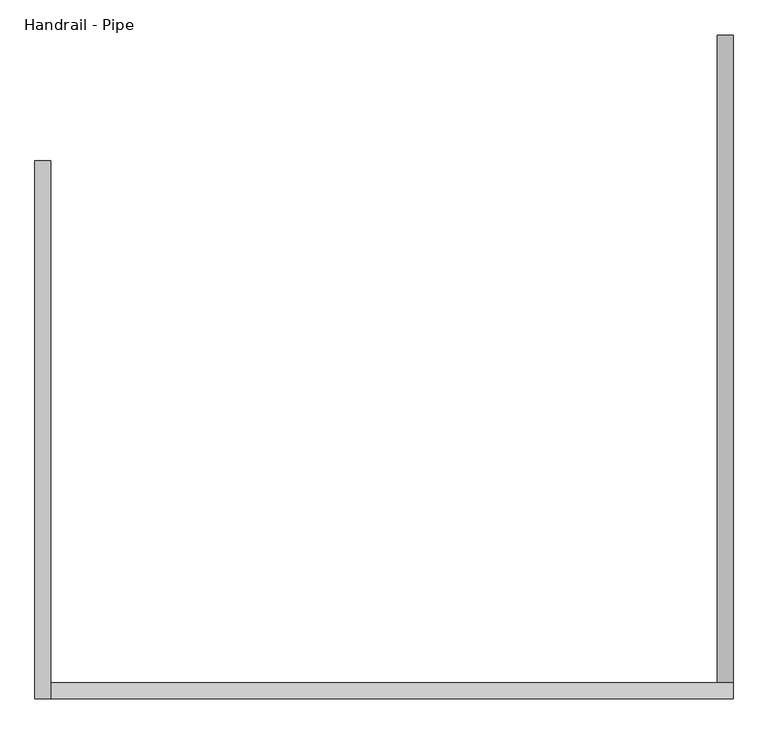
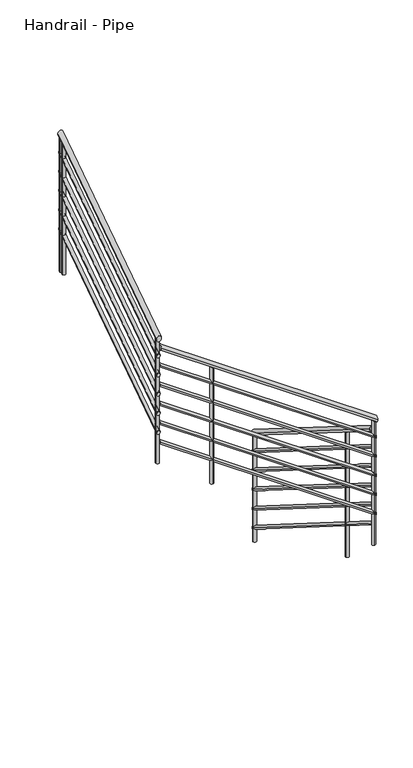
"""IFC4 building model written with IfcOpenShell, lengths in millimetres: railing geometry, Handrail - Pipe."""

from ifc_helpers import new_model, si_unit, frame, origin, place, context, project, spatial, circle_curve, ellipse_curve, source, transform, mapped, element, save
from ifc_brep_helpers import plane_surface, cylinder_surface, advanced_brep


def handrail_pipe_4062bd8a(model_context):
    return source(origin(), model_context, "Body", "AdvancedBrep", [
        advanced_brep(
        [(14139.9963288, -279.9447691, 1008.1620041), (14101.8963288, -279.9447691, 1008.1620041), (14139.9963288, -1824.292103, 1978.7241486), (14101.8963288, -1824.292103, 1978.7241486)],
        [
            (0, 1, ellipse_curve(frame((14120.9463288, -279.9447691, 1008.1620041), z_axis=(0.0, 1.0, 0.0), x_axis=(0.0, 0.0, -1.0)), 22.4996814, 19.05)),
            (1, 0, ellipse_curve(frame((14120.9463288, -279.9447691, 1008.1620041), z_axis=(0.0, 1.0, 0.0), x_axis=(0.0, 0.0, -1.0)), 22.4996814, 19.05)),
            (2, 3, ellipse_curve(frame((14120.9463288, -1824.292103, 1978.7241486), z_axis=(0.0, -1.0, 0.0), x_axis=(0.0, 0.0, -1.0)), 22.4996814, 19.05)),
            (3, 2, ellipse_curve(frame((14120.9463288, -1824.292103, 1978.7241486), z_axis=(0.0, -1.0, 0.0), x_axis=(0.0, 0.0, -1.0)), 22.4996814, 19.05)),
            (0, 2),
            (3, 1),
        ],
        [
            plane_surface(frame((14120.9463288, -279.9447691, 1030.6616855), z_axis=(0.0, 1.0, 0.0), x_axis=(0.0, 0.0, -1.0))),
            plane_surface(frame((14120.9463288, -1824.292103, 2001.22383), z_axis=(0.0, -1.0, 0.0), x_axis=(0.0, 0.0, -1.0))),
            cylinder_surface(frame((14120.9463288, -290.0813608, 1014.5324571), z_axis=(0.0, 0.8466786539754051, -0.5321045544837933), x_axis=(-1.0, 0.0, 0.0)), 19.05),
        ],
        [
            (0, [[1, 2]]),
            (1, [[3, 4]]),
            (2, [[-1, 5, -4, 6]]),
            (2, [[-2, -6, -3, -5]]),
        ],
    ),
        advanced_brep(
        [(14139.9963288, -1862.392103, 2061.4093916), (14139.9963288, -1824.292103, 2061.4093916), (12513.2016609, -1862.392103, 3199.4403575), (12513.2016609, -1824.292103, 3199.4403575)],
        [
            (0, 1, ellipse_curve(frame((14139.9963288, -1843.342103, 2061.4093916), z_axis=(1.0, 0.0, 0.0), x_axis=(0.0, 0.0, -1.0)), 23.2486189, 19.05)),
            (1, 0, ellipse_curve(frame((14139.9963288, -1843.342103, 2061.4093916), z_axis=(1.0, 0.0, 0.0), x_axis=(0.0, 0.0, -1.0)), 23.2486189, 19.05)),
            (2, 3, ellipse_curve(frame((12513.2016609, -1843.342103, 3199.4403575), z_axis=(-1.0, 0.0, 0.0), x_axis=(0.0, 0.0, -1.0)), 23.2486189, 19.05)),
            (3, 2, ellipse_curve(frame((12513.2016609, -1843.342103, 3199.4403575), z_axis=(-1.0, 0.0, 0.0), x_axis=(0.0, 0.0, -1.0)), 23.2486189, 19.05)),
            (0, 2),
            (3, 1),
        ],
        [
            plane_surface(frame((14139.9963288, -1843.342103, 2084.6580104), z_axis=(1.0, 0.0, 0.0), x_axis=(0.0, -1.0, 0.0))),
            plane_surface(frame((12513.2016609, -1843.342103, 3222.6889763), z_axis=(-1.0, 0.0, 0.0), x_axis=(0.0, -1.0, 0.0))),
            cylinder_surface(frame((14129.0765424, -1843.342103, 2069.0483735), z_axis=(0.8194035147439506, 0.0, -0.5732171316571586), x_axis=(0.0, 1.0, 0.0)), 19.05),
        ],
        [
            (0, [[1, 2]]),
            (1, [[3, 4]]),
            (2, [[-1, 5, -4, 6]]),
            (2, [[-2, -6, -3, -5]]),
        ],
    ),
        advanced_brep(
        [(12475.1016609, -1862.392103, 3283.1509827), (12513.2016609, -1862.392103, 3283.1509827), (12475.1016609, -579.9447691, 4139.9095503), (12513.2016609, -579.9447691, 4139.9095503)],
        [
            (0, 1, ellipse_curve(frame((12494.1516609, -1862.392103, 3283.1509827), z_axis=(0.0, -1.0, 0.0), x_axis=(0.0, 0.0, -1.0)), 22.9100408, 19.05)),
            (1, 0, ellipse_curve(frame((12494.1516609, -1862.392103, 3283.1509827), z_axis=(0.0, -1.0, 0.0), x_axis=(0.0, 0.0, -1.0)), 22.9100408, 19.05)),
            (2, 3, ellipse_curve(frame((12494.1516609, -579.9447691, 4139.9095503), z_axis=(0.0, 1.0, 0.0), x_axis=(0.0, 0.0, -1.0)), 22.9100408, 19.05)),
            (3, 2, ellipse_curve(frame((12494.1516609, -579.9447691, 4139.9095503), z_axis=(0.0, 1.0, 0.0), x_axis=(0.0, 0.0, -1.0)), 22.9100408, 19.05)),
            (0, 2),
            (3, 1),
        ],
        [
            plane_surface(frame((12494.1516609, -1862.392103, 3306.0610235), z_axis=(0.0, -1.0, 0.0), x_axis=(0.0, 0.0, 1.0))),
            plane_surface(frame((12494.1516609, -579.9447691, 4162.8195911), z_axis=(0.0, 1.0, 0.0), x_axis=(0.0, 0.0, 1.0))),
            cylinder_surface(frame((12494.1516609, -1851.8097312, 3290.2206981), z_axis=(0.0, -0.8315131424522817, -0.5555050800209946), x_axis=(1.0, 0.0, 0.0)), 19.05),
        ],
        [
            (0, [[1, 2]]),
            (1, [[3, 4]]),
            (2, [[-1, 5, -4, 6]]),
            (2, [[-2, -6, -3, -5]]),
        ],
    ),
        advanced_brep(
        [(14133.6463288, -279.9447691, 863.2618979), (14108.2463288, -279.9447691, 863.2618979), (14133.6463288, -1830.642103, 1837.81477), (14108.2463288, -1830.642103, 1837.81477)],
        [
            (0, 1, ellipse_curve(frame((14120.9463288, -279.9447691, 863.2618979), z_axis=(0.0, 1.0, 0.0), x_axis=(0.0, 0.0, -1.0)), 14.9997876, 12.7)),
            (1, 0, ellipse_curve(frame((14120.9463288, -279.9447691, 863.2618979), z_axis=(0.0, 1.0, 0.0), x_axis=(0.0, 0.0, -1.0)), 14.9997876, 12.7)),
            (2, 3, ellipse_curve(frame((14120.9463288, -1830.642103, 1837.81477), z_axis=(0.0, -1.0, 0.0), x_axis=(0.0, 0.0, -1.0)), 14.9997876, 12.7)),
            (3, 2, ellipse_curve(frame((14120.9463288, -1830.642103, 1837.81477), z_axis=(0.0, -1.0, 0.0), x_axis=(0.0, 0.0, -1.0)), 14.9997876, 12.7)),
            (0, 2),
            (3, 1),
        ],
        [
            plane_surface(frame((14120.9463288, -279.9447691, 878.2616855), z_axis=(0.0, 1.0, 0.0), x_axis=(0.0, 0.0, -1.0))),
            plane_surface(frame((14120.9463288, -1830.642103, 1852.8145577), z_axis=(0.0, -1.0, 0.0), x_axis=(0.0, 0.0, -1.0))),
            cylinder_surface(frame((14120.9463288, -286.7024969, 867.5088666), z_axis=(0.0, 0.8466786539754051, -0.5321045544837933), x_axis=(-1.0, 0.0, 0.0)), 12.7),
        ],
        [
            (0, [[1, 2]]),
            (1, [[3, 4]]),
            (2, [[-1, 5, -4, 6]]),
            (2, [[-2, -6, -3, -5]]),
        ],
    ),
        advanced_brep(
        [(14133.6463288, -1856.042103, 1921.2011001), (14133.6463288, -1830.642103, 1921.2011001), (12506.8516609, -1856.042103, 3059.232066), (12506.8516609, -1830.642103, 3059.232066)],
        [
            (0, 1, ellipse_curve(frame((14133.6463288, -1843.342103, 1921.2011001), z_axis=(1.0, 0.0, 0.0), x_axis=(0.0, 0.0, -1.0)), 15.4990792, 12.7)),
            (1, 0, ellipse_curve(frame((14133.6463288, -1843.342103, 1921.2011001), z_axis=(1.0, 0.0, 0.0), x_axis=(0.0, 0.0, -1.0)), 15.4990792, 12.7)),
            (2, 3, ellipse_curve(frame((12506.8516609, -1843.342103, 3059.232066), z_axis=(-1.0, 0.0, 0.0), x_axis=(0.0, 0.0, -1.0)), 15.4990792, 12.7)),
            (3, 2, ellipse_curve(frame((12506.8516609, -1843.342103, 3059.232066), z_axis=(-1.0, 0.0, 0.0), x_axis=(0.0, 0.0, -1.0)), 15.4990792, 12.7)),
            (0, 2),
            (3, 1),
        ],
        [
            plane_surface(frame((14133.6463288, -1843.342103, 1936.7001793), z_axis=(1.0, 0.0, 0.0), x_axis=(0.0, -1.0, 0.0))),
            plane_surface(frame((12506.8516609, -1843.342103, 3074.7311452), z_axis=(-1.0, 0.0, 0.0), x_axis=(0.0, -1.0, 0.0))),
            cylinder_surface(frame((14126.3664712, -1843.342103, 1926.2937547), z_axis=(0.8194035147439506, 0.0, -0.5732171316571586), x_axis=(0.0, 1.0, 0.0)), 12.7),
        ],
        [
            (0, [[1, 2]]),
            (1, [[3, 4]]),
            (2, [[-1, 5, -4, 6]]),
            (2, [[-2, -6, -3, -5]]),
        ],
    ),
        advanced_brep(
        [(12481.4516609, -1856.042103, 3142.6298777), (12506.8516609, -1856.042103, 3142.6298777), (12481.4516609, -579.9447691, 3995.1462306), (12506.8516609, -579.9447691, 3995.1462306)],
        [
            (0, 1, ellipse_curve(frame((12494.1516609, -1856.042103, 3142.6298777), z_axis=(0.0, -1.0, 0.0), x_axis=(0.0, 0.0, -1.0)), 15.2733605, 12.7)),
            (1, 0, ellipse_curve(frame((12494.1516609, -1856.042103, 3142.6298777), z_axis=(0.0, -1.0, 0.0), x_axis=(0.0, 0.0, -1.0)), 15.2733605, 12.7)),
            (2, 3, ellipse_curve(frame((12494.1516609, -579.9447691, 3995.1462306), z_axis=(0.0, 1.0, 0.0), x_axis=(0.0, 0.0, -1.0)), 15.2733605, 12.7)),
            (3, 2, ellipse_curve(frame((12494.1516609, -579.9447691, 3995.1462306), z_axis=(0.0, 1.0, 0.0), x_axis=(0.0, 0.0, -1.0)), 15.2733605, 12.7)),
            (0, 2),
            (3, 1),
        ],
        [
            plane_surface(frame((12494.1516609, -1856.042103, 3157.9032382), z_axis=(0.0, -1.0, 0.0), x_axis=(0.0, 0.0, 1.0))),
            plane_surface(frame((12494.1516609, -579.9447691, 4010.4195911), z_axis=(0.0, 1.0, 0.0), x_axis=(0.0, 0.0, 1.0))),
            cylinder_surface(frame((12494.1516609, -1848.9871885, 3147.3430213), z_axis=(0.0, -0.8315131424522817, -0.5555050800209946), x_axis=(1.0, 0.0, 0.0)), 12.7),
        ],
        [
            (0, [[1, 2]]),
            (1, [[3, 4]]),
            (2, [[-1, 5, -4, 6]]),
            (2, [[-2, -6, -3, -5]]),
        ],
    ),
        advanced_brep(
        [(14133.6463288, -279.9447691, 710.8618979), (14108.2463288, -279.9447691, 710.8618979), (14133.6463288, -1830.642103, 1685.41477), (14108.2463288, -1830.642103, 1685.41477)],
        [
            (0, 1, ellipse_curve(frame((14120.9463288, -279.9447691, 710.8618979), z_axis=(0.0, 1.0, 0.0), x_axis=(0.0, 0.0, -1.0)), 14.9997876, 12.7)),
            (1, 0, ellipse_curve(frame((14120.9463288, -279.9447691, 710.8618979), z_axis=(0.0, 1.0, 0.0), x_axis=(0.0, 0.0, -1.0)), 14.9997876, 12.7)),
            (2, 3, ellipse_curve(frame((14120.9463288, -1830.642103, 1685.41477), z_axis=(0.0, -1.0, 0.0), x_axis=(0.0, 0.0, -1.0)), 14.9997876, 12.7)),
            (3, 2, ellipse_curve(frame((14120.9463288, -1830.642103, 1685.41477), z_axis=(0.0, -1.0, 0.0), x_axis=(0.0, 0.0, -1.0)), 14.9997876, 12.7)),
            (0, 2),
            (3, 1),
        ],
        [
            plane_surface(frame((14120.9463288, -279.9447691, 725.8616855), z_axis=(0.0, 1.0, 0.0), x_axis=(0.0, 0.0, -1.0))),
            plane_surface(frame((14120.9463288, -1830.642103, 1700.4145577), z_axis=(0.0, -1.0, 0.0), x_axis=(0.0, 0.0, -1.0))),
            cylinder_surface(frame((14120.9463288, -286.7024969, 715.1088666), z_axis=(0.0, 0.8466786539754051, -0.5321045544837933), x_axis=(-1.0, 0.0, 0.0)), 12.7),
        ],
        [
            (0, [[1, 2]]),
            (1, [[3, 4]]),
            (2, [[-1, 5, -4, 6]]),
            (2, [[-2, -6, -3, -5]]),
        ],
    ),
        advanced_brep(
        [(14133.6463288, -1856.042103, 1768.8011001), (14133.6463288, -1830.642103, 1768.8011001), (12506.8516609, -1856.042103, 2906.832066), (12506.8516609, -1830.642103, 2906.832066)],
        [
            (0, 1, ellipse_curve(frame((14133.6463288, -1843.342103, 1768.8011001), z_axis=(1.0, 0.0, 0.0), x_axis=(0.0, 0.0, -1.0)), 15.4990792, 12.7)),
            (1, 0, ellipse_curve(frame((14133.6463288, -1843.342103, 1768.8011001), z_axis=(1.0, 0.0, 0.0), x_axis=(0.0, 0.0, -1.0)), 15.4990792, 12.7)),
            (2, 3, ellipse_curve(frame((12506.8516609, -1843.342103, 2906.832066), z_axis=(-1.0, 0.0, 0.0), x_axis=(0.0, 0.0, -1.0)), 15.4990792, 12.7)),
            (3, 2, ellipse_curve(frame((12506.8516609, -1843.342103, 2906.832066), z_axis=(-1.0, 0.0, 0.0), x_axis=(0.0, 0.0, -1.0)), 15.4990792, 12.7)),
            (0, 2),
            (3, 1),
        ],
        [
            plane_surface(frame((14133.6463288, -1843.342103, 1784.3001793), z_axis=(1.0, 0.0, 0.0), x_axis=(0.0, -1.0, 0.0))),
            plane_surface(frame((12506.8516609, -1843.342103, 2922.3311452), z_axis=(-1.0, 0.0, 0.0), x_axis=(0.0, -1.0, 0.0))),
            cylinder_surface(frame((14126.3664712, -1843.342103, 1773.8937547), z_axis=(0.8194035147439506, 0.0, -0.5732171316571586), x_axis=(0.0, 1.0, 0.0)), 12.7),
        ],
        [
            (0, [[1, 2]]),
            (1, [[3, 4]]),
            (2, [[-1, 5, -4, 6]]),
            (2, [[-2, -6, -3, -5]]),
        ],
    ),
        advanced_brep(
        [(12481.4516609, -1856.042103, 2990.2298777), (12506.8516609, -1856.042103, 2990.2298777), (12481.4516609, -579.9447691, 3842.7462306), (12506.8516609, -579.9447691, 3842.7462306)],
        [
            (0, 1, ellipse_curve(frame((12494.1516609, -1856.042103, 2990.2298777), z_axis=(0.0, -1.0, 0.0), x_axis=(0.0, 0.0, -1.0)), 15.2733605, 12.7)),
            (1, 0, ellipse_curve(frame((12494.1516609, -1856.042103, 2990.2298777), z_axis=(0.0, -1.0, 0.0), x_axis=(0.0, 0.0, -1.0)), 15.2733605, 12.7)),
            (2, 3, ellipse_curve(frame((12494.1516609, -579.9447691, 3842.7462306), z_axis=(0.0, 1.0, 0.0), x_axis=(0.0, 0.0, -1.0)), 15.2733605, 12.7)),
            (3, 2, ellipse_curve(frame((12494.1516609, -579.9447691, 3842.7462306), z_axis=(0.0, 1.0, 0.0), x_axis=(0.0, 0.0, -1.0)), 15.2733605, 12.7)),
            (0, 2),
            (3, 1),
        ],
        [
            plane_surface(frame((12494.1516609, -1856.042103, 3005.5032382), z_axis=(0.0, -1.0, 0.0), x_axis=(0.0, 0.0, 1.0))),
            plane_surface(frame((12494.1516609, -579.9447691, 3858.0195911), z_axis=(0.0, 1.0, 0.0), x_axis=(0.0, 0.0, 1.0))),
            cylinder_surface(frame((12494.1516609, -1848.9871885, 2994.9430213), z_axis=(0.0, -0.8315131424522817, -0.5555050800209946), x_axis=(1.0, 0.0, 0.0)), 12.7),
        ],
        [
            (0, [[1, 2]]),
            (1, [[3, 4]]),
            (2, [[-1, 5, -4, 6]]),
            (2, [[-2, -6, -3, -5]]),
        ],
    ),
        advanced_brep(
        [(14133.6463288, -279.9447691, 558.4618979), (14108.2463288, -279.9447691, 558.4618979), (14133.6463288, -1830.642103, 1533.01477), (14108.2463288, -1830.642103, 1533.01477)],
        [
            (0, 1, ellipse_curve(frame((14120.9463288, -279.9447691, 558.4618979), z_axis=(0.0, 1.0, 0.0), x_axis=(0.0, 0.0, -1.0)), 14.9997876, 12.7)),
            (1, 0, ellipse_curve(frame((14120.9463288, -279.9447691, 558.4618979), z_axis=(0.0, 1.0, 0.0), x_axis=(0.0, 0.0, -1.0)), 14.9997876, 12.7)),
            (2, 3, ellipse_curve(frame((14120.9463288, -1830.642103, 1533.01477), z_axis=(0.0, -1.0, 0.0), x_axis=(0.0, 0.0, -1.0)), 14.9997876, 12.7)),
            (3, 2, ellipse_curve(frame((14120.9463288, -1830.642103, 1533.01477), z_axis=(0.0, -1.0, 0.0), x_axis=(0.0, 0.0, -1.0)), 14.9997876, 12.7)),
            (0, 2),
            (3, 1),
        ],
        [
            plane_surface(frame((14120.9463288, -279.9447691, 573.4616855), z_axis=(0.0, 1.0, 0.0), x_axis=(0.0, 0.0, -1.0))),
            plane_surface(frame((14120.9463288, -1830.642103, 1548.0145577), z_axis=(0.0, -1.0, 0.0), x_axis=(0.0, 0.0, -1.0))),
            cylinder_surface(frame((14120.9463288, -286.7024969, 562.7088666), z_axis=(0.0, 0.8466786539754051, -0.5321045544837933), x_axis=(-1.0, 0.0, 0.0)), 12.7),
        ],
        [
            (0, [[1, 2]]),
            (1, [[3, 4]]),
            (2, [[-1, 5, -4, 6]]),
            (2, [[-2, -6, -3, -5]]),
        ],
    ),
        advanced_brep(
        [(14133.6463288, -1856.042103, 1616.4011001), (14133.6463288, -1830.642103, 1616.4011001), (12506.8516609, -1856.042103, 2754.432066), (12506.8516609, -1830.642103, 2754.432066)],
        [
            (0, 1, ellipse_curve(frame((14133.6463288, -1843.342103, 1616.4011001), z_axis=(1.0, 0.0, 0.0), x_axis=(0.0, 0.0, -1.0)), 15.4990792, 12.7)),
            (1, 0, ellipse_curve(frame((14133.6463288, -1843.342103, 1616.4011001), z_axis=(1.0, 0.0, 0.0), x_axis=(0.0, 0.0, -1.0)), 15.4990792, 12.7)),
            (2, 3, ellipse_curve(frame((12506.8516609, -1843.342103, 2754.432066), z_axis=(-1.0, 0.0, 0.0), x_axis=(0.0, 0.0, -1.0)), 15.4990792, 12.7)),
            (3, 2, ellipse_curve(frame((12506.8516609, -1843.342103, 2754.432066), z_axis=(-1.0, 0.0, 0.0), x_axis=(0.0, 0.0, -1.0)), 15.4990792, 12.7)),
            (0, 2),
            (3, 1),
        ],
        [
            plane_surface(frame((14133.6463288, -1843.342103, 1631.9001793), z_axis=(1.0, 0.0, 0.0), x_axis=(0.0, -1.0, 0.0))),
            plane_surface(frame((12506.8516609, -1843.342103, 2769.9311452), z_axis=(-1.0, 0.0, 0.0), x_axis=(0.0, -1.0, 0.0))),
            cylinder_surface(frame((14126.3664712, -1843.342103, 1621.4937547), z_axis=(0.8194035147439506, 0.0, -0.5732171316571586), x_axis=(0.0, 1.0, 0.0)), 12.7),
        ],
        [
            (0, [[1, 2]]),
            (1, [[3, 4]]),
            (2, [[-1, 5, -4, 6]]),
            (2, [[-2, -6, -3, -5]]),
        ],
    ),
        advanced_brep(
        [(12481.4516609, -1856.042103, 2837.8298777), (12506.8516609, -1856.042103, 2837.8298777), (12481.4516609, -579.9447691, 3690.3462306), (12506.8516609, -579.9447691, 3690.3462306)],
        [
            (0, 1, ellipse_curve(frame((12494.1516609, -1856.042103, 2837.8298777), z_axis=(0.0, -1.0, 0.0), x_axis=(0.0, 0.0, -1.0)), 15.2733605, 12.7)),
            (1, 0, ellipse_curve(frame((12494.1516609, -1856.042103, 2837.8298777), z_axis=(0.0, -1.0, 0.0), x_axis=(0.0, 0.0, -1.0)), 15.2733605, 12.7)),
            (2, 3, ellipse_curve(frame((12494.1516609, -579.9447691, 3690.3462306), z_axis=(0.0, 1.0, 0.0), x_axis=(0.0, 0.0, -1.0)), 15.2733605, 12.7)),
            (3, 2, ellipse_curve(frame((12494.1516609, -579.9447691, 3690.3462306), z_axis=(0.0, 1.0, 0.0), x_axis=(0.0, 0.0, -1.0)), 15.2733605, 12.7)),
            (0, 2),
            (3, 1),
        ],
        [
            plane_surface(frame((12494.1516609, -1856.042103, 2853.1032382), z_axis=(0.0, -1.0, 0.0), x_axis=(0.0, 0.0, 1.0))),
            plane_surface(frame((12494.1516609, -579.9447691, 3705.6195911), z_axis=(0.0, 1.0, 0.0), x_axis=(0.0, 0.0, 1.0))),
            cylinder_surface(frame((12494.1516609, -1848.9871885, 2842.5430213), z_axis=(0.0, -0.8315131424522817, -0.5555050800209946), x_axis=(1.0, 0.0, 0.0)), 12.7),
        ],
        [
            (0, [[1, 2]]),
            (1, [[3, 4]]),
            (2, [[-1, 5, -4, 6]]),
            (2, [[-2, -6, -3, -5]]),
        ],
    ),
        advanced_brep(
        [(14133.6463288, -279.9447691, 406.0618979), (14108.2463288, -279.9447691, 406.0618979), (14133.6463288, -1830.642103, 1380.61477), (14108.2463288, -1830.642103, 1380.61477)],
        [
            (0, 1, ellipse_curve(frame((14120.9463288, -279.9447691, 406.0618979), z_axis=(0.0, 1.0, 0.0), x_axis=(0.0, 0.0, -1.0)), 14.9997876, 12.7)),
            (1, 0, ellipse_curve(frame((14120.9463288, -279.9447691, 406.0618979), z_axis=(0.0, 1.0, 0.0), x_axis=(0.0, 0.0, -1.0)), 14.9997876, 12.7)),
            (2, 3, ellipse_curve(frame((14120.9463288, -1830.642103, 1380.61477), z_axis=(0.0, -1.0, 0.0), x_axis=(0.0, 0.0, -1.0)), 14.9997876, 12.7)),
            (3, 2, ellipse_curve(frame((14120.9463288, -1830.642103, 1380.61477), z_axis=(0.0, -1.0, 0.0), x_axis=(0.0, 0.0, -1.0)), 14.9997876, 12.7)),
            (0, 2),
            (3, 1),
        ],
        [
            plane_surface(frame((14120.9463288, -279.9447691, 421.0616855), z_axis=(0.0, 1.0, 0.0), x_axis=(0.0, 0.0, -1.0))),
            plane_surface(frame((14120.9463288, -1830.642103, 1395.6145577), z_axis=(0.0, -1.0, 0.0), x_axis=(0.0, 0.0, -1.0))),
            cylinder_surface(frame((14120.9463288, -286.7024969, 410.3088666), z_axis=(0.0, 0.8466786539754051, -0.5321045544837933), x_axis=(-1.0, 0.0, 0.0)), 12.7),
        ],
        [
            (0, [[1, 2]]),
            (1, [[3, 4]]),
            (2, [[-1, 5, -4, 6]]),
            (2, [[-2, -6, -3, -5]]),
        ],
    ),
        advanced_brep(
        [(14133.6463288, -1856.042103, 1464.0011001), (14133.6463288, -1830.642103, 1464.0011001), (12506.8516609, -1856.042103, 2602.032066), (12506.8516609, -1830.642103, 2602.032066)],
        [
            (0, 1, ellipse_curve(frame((14133.6463288, -1843.342103, 1464.0011001), z_axis=(1.0, 0.0, 0.0), x_axis=(0.0, 0.0, -1.0)), 15.4990792, 12.7)),
            (1, 0, ellipse_curve(frame((14133.6463288, -1843.342103, 1464.0011001), z_axis=(1.0, 0.0, 0.0), x_axis=(0.0, 0.0, -1.0)), 15.4990792, 12.7)),
            (2, 3, ellipse_curve(frame((12506.8516609, -1843.342103, 2602.032066), z_axis=(-1.0, 0.0, 0.0), x_axis=(0.0, 0.0, -1.0)), 15.4990792, 12.7)),
            (3, 2, ellipse_curve(frame((12506.8516609, -1843.342103, 2602.032066), z_axis=(-1.0, 0.0, 0.0), x_axis=(0.0, 0.0, -1.0)), 15.4990792, 12.7)),
            (0, 2),
            (3, 1),
        ],
        [
            plane_surface(frame((14133.6463288, -1843.342103, 1479.5001793), z_axis=(1.0, 0.0, 0.0), x_axis=(0.0, -1.0, 0.0))),
            plane_surface(frame((12506.8516609, -1843.342103, 2617.5311452), z_axis=(-1.0, 0.0, 0.0), x_axis=(0.0, -1.0, 0.0))),
            cylinder_surface(frame((14126.3664712, -1843.342103, 1469.0937547), z_axis=(0.8194035147439506, 0.0, -0.5732171316571586), x_axis=(0.0, 1.0, 0.0)), 12.7),
        ],
        [
            (0, [[1, 2]]),
            (1, [[3, 4]]),
            (2, [[-1, 5, -4, 6]]),
            (2, [[-2, -6, -3, -5]]),
        ],
    ),
        advanced_brep(
        [(12481.4516609, -1856.042103, 2685.4298777), (12506.8516609, -1856.042103, 2685.4298777), (12481.4516609, -579.9447691, 3537.9462306), (12506.8516609, -579.9447691, 3537.9462306)],
        [
            (0, 1, ellipse_curve(frame((12494.1516609, -1856.042103, 2685.4298777), z_axis=(0.0, -1.0, 0.0), x_axis=(0.0, 0.0, -1.0)), 15.2733605, 12.7)),
            (1, 0, ellipse_curve(frame((12494.1516609, -1856.042103, 2685.4298777), z_axis=(0.0, -1.0, 0.0), x_axis=(0.0, 0.0, -1.0)), 15.2733605, 12.7)),
            (2, 3, ellipse_curve(frame((12494.1516609, -579.9447691, 3537.9462306), z_axis=(0.0, 1.0, 0.0), x_axis=(0.0, 0.0, -1.0)), 15.2733605, 12.7)),
            (3, 2, ellipse_curve(frame((12494.1516609, -579.9447691, 3537.9462306), z_axis=(0.0, 1.0, 0.0), x_axis=(0.0, 0.0, -1.0)), 15.2733605, 12.7)),
            (0, 2),
            (3, 1),
        ],
        [
            plane_surface(frame((12494.1516609, -1856.042103, 2700.7032382), z_axis=(0.0, -1.0, 0.0), x_axis=(0.0, 0.0, 1.0))),
            plane_surface(frame((12494.1516609, -579.9447691, 3553.2195911), z_axis=(0.0, 1.0, 0.0), x_axis=(0.0, 0.0, 1.0))),
            cylinder_surface(frame((12494.1516609, -1848.9871885, 2690.1430213), z_axis=(0.0, -0.8315131424522817, -0.5555050800209946), x_axis=(1.0, 0.0, 0.0)), 12.7),
        ],
        [
            (0, [[1, 2]]),
            (1, [[3, 4]]),
            (2, [[-1, 5, -4, 6]]),
            (2, [[-2, -6, -3, -5]]),
        ],
    ),
        advanced_brep(
        [(14133.6463288, -279.9447691, 253.6618979), (14108.2463288, -279.9447691, 253.6618979), (14133.6463288, -1830.642103, 1228.21477), (14108.2463288, -1830.642103, 1228.21477)],
        [
            (0, 1, ellipse_curve(frame((14120.9463288, -279.9447691, 253.6618979), z_axis=(0.0, 1.0, 0.0), x_axis=(0.0, 0.0, -1.0)), 14.9997876, 12.7)),
            (1, 0, ellipse_curve(frame((14120.9463288, -279.9447691, 253.6618979), z_axis=(0.0, 1.0, 0.0), x_axis=(0.0, 0.0, -1.0)), 14.9997876, 12.7)),
            (2, 3, ellipse_curve(frame((14120.9463288, -1830.642103, 1228.21477), z_axis=(0.0, -1.0, 0.0), x_axis=(0.0, 0.0, -1.0)), 14.9997876, 12.7)),
            (3, 2, ellipse_curve(frame((14120.9463288, -1830.642103, 1228.21477), z_axis=(0.0, -1.0, 0.0), x_axis=(0.0, 0.0, -1.0)), 14.9997876, 12.7)),
            (0, 2),
            (3, 1),
        ],
        [
            plane_surface(frame((14120.9463288, -279.9447691, 268.6616855), z_axis=(0.0, 1.0, 0.0), x_axis=(0.0, 0.0, -1.0))),
            plane_surface(frame((14120.9463288, -1830.642103, 1243.2145577), z_axis=(0.0, -1.0, 0.0), x_axis=(0.0, 0.0, -1.0))),
            cylinder_surface(frame((14120.9463288, -286.7024969, 257.9088666), z_axis=(0.0, 0.8466786539754051, -0.5321045544837933), x_axis=(-1.0, 0.0, 0.0)), 12.7),
        ],
        [
            (0, [[1, 2]]),
            (1, [[3, 4]]),
            (2, [[-1, 5, -4, 6]]),
            (2, [[-2, -6, -3, -5]]),
        ],
    ),
        advanced_brep(
        [(14133.6463288, -1856.042103, 1311.6011001), (14133.6463288, -1830.642103, 1311.6011001), (12506.8516609, -1856.042103, 2449.632066), (12506.8516609, -1830.642103, 2449.632066)],
        [
            (0, 1, ellipse_curve(frame((14133.6463288, -1843.342103, 1311.6011001), z_axis=(1.0, 0.0, 0.0), x_axis=(0.0, 0.0, -1.0)), 15.4990792, 12.7)),
            (1, 0, ellipse_curve(frame((14133.6463288, -1843.342103, 1311.6011001), z_axis=(1.0, 0.0, 0.0), x_axis=(0.0, 0.0, -1.0)), 15.4990792, 12.7)),
            (2, 3, ellipse_curve(frame((12506.8516609, -1843.342103, 2449.632066), z_axis=(-1.0, 0.0, 0.0), x_axis=(0.0, 0.0, -1.0)), 15.4990792, 12.7)),
            (3, 2, ellipse_curve(frame((12506.8516609, -1843.342103, 2449.632066), z_axis=(-1.0, 0.0, 0.0), x_axis=(0.0, 0.0, -1.0)), 15.4990792, 12.7)),
            (0, 2),
            (3, 1),
        ],
        [
            plane_surface(frame((14133.6463288, -1843.342103, 1327.1001793), z_axis=(1.0, 0.0, 0.0), x_axis=(0.0, -1.0, 0.0))),
            plane_surface(frame((12506.8516609, -1843.342103, 2465.1311452), z_axis=(-1.0, 0.0, 0.0), x_axis=(0.0, -1.0, 0.0))),
            cylinder_surface(frame((14126.3664712, -1843.342103, 1316.6937547), z_axis=(0.8194035147439506, 0.0, -0.5732171316571586), x_axis=(0.0, 1.0, 0.0)), 12.7),
        ],
        [
            (0, [[1, 2]]),
            (1, [[3, 4]]),
            (2, [[-1, 5, -4, 6]]),
            (2, [[-2, -6, -3, -5]]),
        ],
    ),
        advanced_brep(
        [(12481.4516609, -1856.042103, 2533.0298777), (12506.8516609, -1856.042103, 2533.0298777), (12481.4516609, -579.9447691, 3385.5462306), (12506.8516609, -579.9447691, 3385.5462306)],
        [
            (0, 1, ellipse_curve(frame((12494.1516609, -1856.042103, 2533.0298777), z_axis=(0.0, -1.0, 0.0), x_axis=(0.0, 0.0, -1.0)), 15.2733605, 12.7)),
            (1, 0, ellipse_curve(frame((12494.1516609, -1856.042103, 2533.0298777), z_axis=(0.0, -1.0, 0.0), x_axis=(0.0, 0.0, -1.0)), 15.2733605, 12.7)),
            (2, 3, ellipse_curve(frame((12494.1516609, -579.9447691, 3385.5462306), z_axis=(0.0, 1.0, 0.0), x_axis=(0.0, 0.0, -1.0)), 15.2733605, 12.7)),
            (3, 2, ellipse_curve(frame((12494.1516609, -579.9447691, 3385.5462306), z_axis=(0.0, 1.0, 0.0), x_axis=(0.0, 0.0, -1.0)), 15.2733605, 12.7)),
            (0, 2),
            (3, 1),
        ],
        [
            plane_surface(frame((12494.1516609, -1856.042103, 2548.3032382), z_axis=(0.0, -1.0, 0.0), x_axis=(0.0, 0.0, 1.0))),
            plane_surface(frame((12494.1516609, -579.9447691, 3400.8195911), z_axis=(0.0, 1.0, 0.0), x_axis=(0.0, 0.0, 1.0))),
            cylinder_surface(frame((12494.1516609, -1848.9871885, 2537.7430213), z_axis=(0.0, -0.8315131424522817, -0.5555050800209946), x_axis=(1.0, 0.0, 0.0)), 12.7),
        ],
        [
            (0, [[1, 2]]),
            (1, [[3, 4]]),
            (2, [[-1, 5, -4, 6]]),
            (2, [[-2, -6, -3, -5]]),
        ],
    ),
        advanced_brep(
        [(12506.8516609, -624.142103, 4087.4728042), (12506.8516609, -624.142103, 3048.0), (12481.4516609, -624.142103, 3048.0), (12481.4516609, -624.142103, 4087.4728042)],
        [
            (0, 1),
            (1, 2, circle_curve(frame((12494.1516609, -624.142103, 3048.0), z_axis=(0.0, 0.0, 1.0), x_axis=(-1.0, 0.0, 0.0)), 12.7)),
            (2, 3),
            (3, 0, ellipse_curve(frame((12494.1516609, -624.142103, 4087.4728042), z_axis=(0.0, 0.5555050800209922, -0.8315131424522834), x_axis=(0.0, 0.8315131424522835, 0.555505080020992)), 15.2733605, 12.7)),
            (0, 3, ellipse_curve(frame((12494.1516609, -624.142103, 4087.4728042), z_axis=(0.0, 0.5555050800209922, -0.8315131424522834), x_axis=(0.0, 0.8315131424522835, 0.555505080020992)), 15.2733605, 12.7)),
            (2, 1, circle_curve(frame((12494.1516609, -624.142103, 3048.0), z_axis=(0.0, 0.0, 1.0), x_axis=(-1.0, 0.0, 0.0)), 12.7)),
        ],
        [
            cylinder_surface(frame((12494.1516609, -624.142103, 2819.4), z_axis=(0.0, 0.0, 1.0), x_axis=(-1.0, 0.0, 0.0)), 12.7),
            plane_surface(frame((12468.7516609, -598.742103, 4104.4416629), z_axis=(0.0, -0.5555050800209922, 0.8315131424522834), x_axis=(1.0, 0.0, 0.0))),
            plane_surface(frame((12468.7516609, -649.542103, 3048.0), z_axis=(0.0, 0.0, -1.0), x_axis=(1.0, 0.0, 0.0))),
        ],
        [
            (0, [[1, 2, 3, 4]]),
            (0, [[-1, 5, -3, 6]]),
            (1, [[-4, -5]]),
            (2, [[-2, -6]]),
        ],
    ),
        advanced_brep(
        [(12901.7463288, -1830.642103, 2904.3837026), (12901.7463288, -1830.642103, 1981.2), (12901.7463288, -1856.042103, 1981.2), (12901.7463288, -1856.042103, 2904.3837026)],
        [
            (0, 1),
            (1, 2, circle_curve(frame((12901.7463288, -1843.342103, 1981.2), z_axis=(0.0, 0.0, 1.0), x_axis=(0.0, -1.0, 0.0)), 12.7)),
            (2, 3),
            (3, 0, ellipse_curve(frame((12901.7463288, -1843.342103, 2904.3837026), z_axis=(-0.5732171316571579, 0.0, -0.8194035147439511), x_axis=(-0.8194035147439512, 0.0, 0.5732171316571579)), 15.4990792, 12.7)),
            (0, 3, ellipse_curve(frame((12901.7463288, -1843.342103, 2904.3837026), z_axis=(-0.5732171316571579, 0.0, -0.8194035147439511), x_axis=(-0.8194035147439512, 0.0, 0.5732171316571579)), 15.4990792, 12.7)),
            (2, 1, circle_curve(frame((12901.7463288, -1843.342103, 1981.2), z_axis=(0.0, 0.0, 1.0), x_axis=(0.0, -1.0, 0.0)), 12.7)),
        ],
        [
            cylinder_surface(frame((12901.7463288, -1843.342103, 1752.6), z_axis=(0.0, 0.0, 1.0), x_axis=(0.0, -1.0, 0.0)), 12.7),
            plane_surface(frame((12876.3463288, -1868.742103, 2922.1523781), z_axis=(0.5732171316571579, 0.0, 0.8194035147439511), x_axis=(0.0, 1.0, 0.0))),
            plane_surface(frame((12927.1463288, -1868.742103, 1981.2), z_axis=(0.0, 0.0, -1.0), x_axis=(0.0, 1.0, 0.0))),
        ],
        [
            (0, [[1, 2, 3, 4]]),
            (0, [[-1, 5, -3, 6]]),
            (1, [[-4, -5]]),
            (2, [[-2, -6]]),
        ],
    ),
        advanced_brep(
        [(14108.2463288, -1499.1447691, 1751.8820327), (14108.2463288, -1499.1447691, 762.0), (14133.6463288, -1499.1447691, 762.0), (14133.6463288, -1499.1447691, 1751.8820327)],
        [
            (0, 1),
            (1, 2, circle_curve(frame((14120.9463288, -1499.1447691, 762.0), z_axis=(0.0, 0.0, 1.0), x_axis=(1.0, 0.0, 0.0)), 12.7)),
            (2, 3),
            (3, 0, ellipse_curve(frame((14120.9463288, -1499.1447691, 1751.8820327), z_axis=(0.0, -0.5321045544837909, -0.8466786539754066), x_axis=(0.0, -0.8466786539754066, 0.5321045544837909)), 14.9997876, 12.7)),
            (0, 3, ellipse_curve(frame((14120.9463288, -1499.1447691, 1751.8820327), z_axis=(0.0, -0.5321045544837909, -0.8466786539754066), x_axis=(0.0, -0.8466786539754066, 0.5321045544837909)), 14.9997876, 12.7)),
            (2, 1, circle_curve(frame((14120.9463288, -1499.1447691, 762.0), z_axis=(0.0, 0.0, 1.0), x_axis=(1.0, 0.0, 0.0)), 12.7)),
        ],
        [
            cylinder_surface(frame((14120.9463288, -1499.1447691, 533.4), z_axis=(0.0, 0.0, 1.0), x_axis=(1.0, 0.0, 0.0)), 12.7),
            plane_surface(frame((14146.3463288, -1524.5447691, 1767.8449434), z_axis=(0.0, 0.5321045544837909, 0.8466786539754066), x_axis=(-1.0, 0.0, 0.0))),
            plane_surface(frame((14146.3463288, -1473.7447691, 762.0), z_axis=(0.0, 0.0, -1.0), x_axis=(-1.0, 0.0, 0.0))),
        ],
        [
            (0, [[1, 2, 3, 4]]),
            (0, [[-1, 5, -3, 6]]),
            (1, [[-4, -5]]),
            (2, [[-2, -6]]),
        ],
    ),
        advanced_brep(
        [(12506.8516609, -1843.342103, 3272.967586), (12506.8516609, -1843.342103, 2286.0), (12481.4516609, -1843.342103, 2286.0), (12481.4516609, -1843.342103, 3272.967586)],
        [
            (0, 1),
            (1, 2, circle_curve(frame((12494.1516609, -1843.342103, 2286.0), z_axis=(0.0, 0.0, 1.0), x_axis=(-1.0, 0.0, 0.0)), 12.7)),
            (2, 3),
            (3, 0, ellipse_curve(frame((12494.1516609, -1843.342103, 3272.967586), z_axis=(0.0, 0.5555050800209922, -0.8315131424522834), x_axis=(0.0, 0.8315131424522835, 0.555505080020992)), 15.2733605, 12.7)),
            (0, 3, ellipse_curve(frame((12494.1516609, -1843.342103, 3272.967586), z_axis=(0.0, 0.5555050800209922, -0.8315131424522834), x_axis=(0.0, 0.8315131424522835, 0.555505080020992)), 15.2733605, 12.7)),
            (2, 1, circle_curve(frame((12494.1516609, -1843.342103, 2286.0), z_axis=(0.0, 0.0, 1.0), x_axis=(-1.0, 0.0, 0.0)), 12.7)),
        ],
        [
            cylinder_surface(frame((12494.1516609, -1843.342103, 2057.4), z_axis=(0.0, 0.0, 1.0), x_axis=(-1.0, 0.0, 0.0)), 12.7),
            plane_surface(frame((12468.7516609, -1817.942103, 3289.9364447), z_axis=(0.0, -0.5555050800209922, 0.8315131424522834), x_axis=(1.0, 0.0, 0.0))),
            plane_surface(frame((12468.7516609, -1868.742103, 2286.0), z_axis=(0.0, 0.0, -1.0), x_axis=(1.0, 0.0, 0.0))),
        ],
        [
            (0, [[1, 2, 3, 4]]),
            (0, [[-1, 5, -3, 6]]),
            (1, [[-4, -5]]),
            (2, [[-2, -6]]),
        ],
    ),
        advanced_brep(
        [(14120.9463288, -1830.642103, 2051.4872794), (14120.9463288, -1830.642103, 1066.8), (14120.9463288, -1856.042103, 1066.8), (14120.9463288, -1856.042103, 2051.4872794)],
        [
            (0, 1),
            (1, 2, circle_curve(frame((14120.9463288, -1843.342103, 1066.8), z_axis=(0.0, 0.0, 1.0), x_axis=(0.0, -1.0, 0.0)), 12.7)),
            (2, 3),
            (3, 0, ellipse_curve(frame((14120.9463288, -1843.342103, 2051.4872794), z_axis=(-0.5732171316571565, 0.0, -0.8194035147439521), x_axis=(-0.8194035147439522, 0.0, 0.5732171316571565)), 15.4990792, 12.7)),
            (0, 3, ellipse_curve(frame((14120.9463288, -1843.342103, 2051.4872794), z_axis=(-0.5732171316571565, 0.0, -0.8194035147439521), x_axis=(-0.8194035147439522, 0.0, 0.5732171316571565)), 15.4990792, 12.7)),
            (2, 1, circle_curve(frame((14120.9463288, -1843.342103, 1066.8), z_axis=(0.0, 0.0, 1.0), x_axis=(0.0, -1.0, 0.0)), 12.7)),
        ],
        [
            cylinder_surface(frame((14120.9463288, -1843.342103, 838.2), z_axis=(0.0, 0.0, 1.0), x_axis=(0.0, -1.0, 0.0)), 12.7),
            plane_surface(frame((14095.5463288, -1868.742103, 2069.2559548), z_axis=(0.5732171316571565, 0.0, 0.8194035147439521), x_axis=(0.0, 1.0, 0.0))),
            plane_surface(frame((14146.3463288, -1868.742103, 1066.8), z_axis=(0.0, 0.0, -1.0), x_axis=(0.0, 1.0, 0.0))),
        ],
        [
            (0, [[1, 2, 3, 4]]),
            (0, [[-1, 5, -3, 6]]),
            (1, [[-4, -5]]),
            (2, [[-2, -6]]),
        ],
    ),
        advanced_brep(
        [(12506.8516609, -592.6447691, 4108.5150802), (12506.8516609, -592.6447691, 3048.0), (12481.4516609, -592.6447691, 3048.0), (12481.4516609, -592.6447691, 4108.5150802)],
        [
            (0, 1),
            (1, 2, circle_curve(frame((12494.1516609, -592.6447691, 3048.0), z_axis=(0.0, 0.0, 1.0), x_axis=(-1.0, 0.0, 0.0)), 12.7)),
            (2, 3),
            (3, 0, ellipse_curve(frame((12494.1516609, -592.6447691, 4108.5150802), z_axis=(0.0, 0.5555050800209936, -0.8315131424522824), x_axis=(0.0, 0.8315131424522824, 0.5555050800209933)), 15.2733605, 12.7)),
            (0, 3, ellipse_curve(frame((12494.1516609, -592.6447691, 4108.5150802), z_axis=(0.0, 0.5555050800209936, -0.8315131424522824), x_axis=(0.0, 0.8315131424522824, 0.5555050800209933)), 15.2733605, 12.7)),
            (2, 1, circle_curve(frame((12494.1516609, -592.6447691, 3048.0), z_axis=(0.0, 0.0, 1.0), x_axis=(-1.0, 0.0, 0.0)), 12.7)),
        ],
        [
            cylinder_surface(frame((12494.1516609, -592.6447691, 2819.4), z_axis=(0.0, 0.0, 1.0), x_axis=(-1.0, 0.0, 0.0)), 12.7),
            plane_surface(frame((12468.7516609, -567.2447691, 4125.4839389), z_axis=(0.0, -0.5555050800209936, 0.8315131424522824), x_axis=(1.0, 0.0, 0.0))),
            plane_surface(frame((12468.7516609, -618.0447691, 3048.0), z_axis=(0.0, 0.0, -1.0), x_axis=(1.0, 0.0, 0.0))),
        ],
        [
            (0, [[1, 2, 3, 4]]),
            (0, [[-1, 5, -3, 6]]),
            (1, [[-4, -5]]),
            (2, [[-2, -6]]),
        ],
    ),
        advanced_brep(
        [(14108.2463288, -292.6447691, 993.6437779), (14108.2463288, -292.6447691, 152.4), (14133.6463288, -292.6447691, 152.4), (14133.6463288, -292.6447691, 993.6437779)],
        [
            (0, 1),
            (1, 2, circle_curve(frame((14120.9463288, -292.6447691, 152.4), z_axis=(0.0, 0.0, 1.0), x_axis=(1.0, 0.0, 0.0)), 12.7)),
            (2, 3),
            (3, 0, ellipse_curve(frame((14120.9463288, -292.6447691, 993.6437779), z_axis=(0.0, -0.5321045544837926, -0.8466786539754056), x_axis=(0.0, -0.8466786539754056, 0.5321045544837923)), 14.9997876, 12.7)),
            (0, 3, ellipse_curve(frame((14120.9463288, -292.6447691, 993.6437779), z_axis=(0.0, -0.5321045544837926, -0.8466786539754056), x_axis=(0.0, -0.8466786539754056, 0.5321045544837923)), 14.9997876, 12.7)),
            (2, 1, circle_curve(frame((14120.9463288, -292.6447691, 152.4), z_axis=(0.0, 0.0, 1.0), x_axis=(1.0, 0.0, 0.0)), 12.7)),
        ],
        [
            cylinder_surface(frame((14120.9463288, -292.6447691, -76.2), z_axis=(0.0, 0.0, 1.0), x_axis=(1.0, 0.0, 0.0)), 12.7),
            plane_surface(frame((14146.3463288, -318.0447691, 1009.6066886), z_axis=(0.0, 0.5321045544837926, 0.8466786539754056), x_axis=(-1.0, 0.0, 0.0))),
            plane_surface(frame((14146.3463288, -267.2447691, 152.4), z_axis=(0.0, 0.0, -1.0), x_axis=(-1.0, 0.0, 0.0))),
        ],
        [
            (0, [[1, 2, 3, 4]]),
            (0, [[-1, 5, -3, 6]]),
            (1, [[-4, -5]]),
            (2, [[-2, -6]]),
        ],
    ),
    ])


if __name__ == "__main__":
    model = new_model("IFC4")
    model_context = context("Model", 3, world=origin())
    ifc_project = project(units=[si_unit("LENGTHUNIT", "METRE", prefix="MILLI")], contexts=[model_context])
    site = spatial("IfcSite", under=ifc_project)
    building = spatial("IfcBuilding", under=site)
    placement = place(None, origin())
    handrail_pipe_shape = handrail_pipe_4062bd8a(model_context)
    element("IfcRailing", 1, ObjectType="Handrail - Pipe", at=placement, inside=building, context=model_context, shape_type="MappedRepresentation", body=[
        mapped(handrail_pipe_shape, transform((0.0, 0.0, 0.0), x_axis=(1.0, 0.0, 0.0), y_axis=(0.0, 1.0, 0.0), z_axis=(0.0, 0.0, 1.0))),
    ])
    save(model, "model.ifc")
